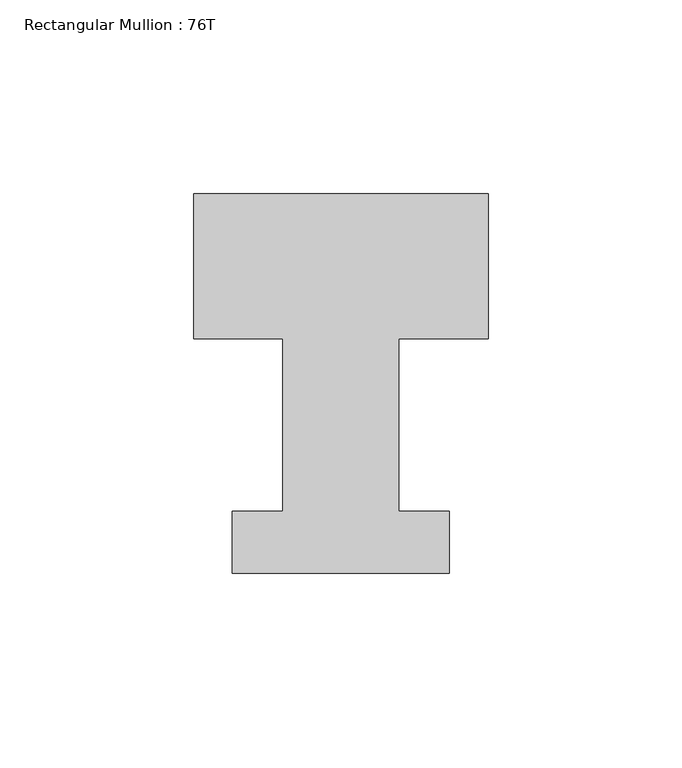
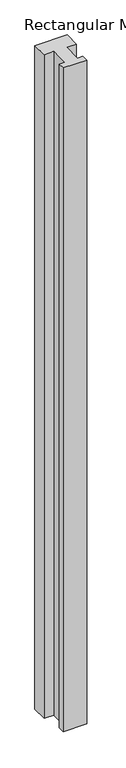
"""IFC4 building model written with IfcOpenShell, lengths in millimetres: member geometry, Rectangular Mullion : 76T."""

from ifc_helpers import new_model, si_unit, frame, origin, place, context, project, spatial, polyline, outline, extrude, source, transform, mapped, element, save


def rectangular_mullion_76t_eb08cf38(model_context):
    return source(origin(), model_context, "Body", "SweptSolid", [
        extrude(outline(polyline([(38.0, 38.0), (38.0, 0.5), (15.0, 0.5), (15.0, -44.0), (28.0, -44.0), (28.0, -60.0), (-28.0, -60.0), (-28.0, -44.0), (-15.0, -44.0), (-15.0, 0.5), (-38.0, 0.5), (-38.0, 38.0), (38.0, 38.0)])), frame((0.0, 0.0, -1658.0), z_axis=(0.0, 0.0, 1.0), x_axis=(1.0, 0.0, 0.0)), (0.0, 0.0, 1.0), 1658.0),
    ])


if __name__ == "__main__":
    model = new_model("IFC4")
    model_context = context("Model", 3, world=origin())
    ifc_project = project(units=[si_unit("LENGTHUNIT", "METRE", prefix="MILLI")], contexts=[model_context])
    site = spatial("IfcSite", under=ifc_project)
    building = spatial("IfcBuilding", under=site)
    placement = place(None, origin())
    rectangular_mullion_76t_shape = rectangular_mullion_76t_eb08cf38(model_context)
    element("IfcMember", 1, ObjectType="Rectangular Mullion : 76T", at=placement, inside=building, context=model_context, shape_type="MappedRepresentation", body=[
        mapped(rectangular_mullion_76t_shape, transform((0.0, 0.0, 0.0), x_axis=(1.0, 0.0, 0.0), y_axis=(0.0, 1.0, 0.0), z_axis=(0.0, 0.0, 1.0))),
    ])
    save(model, "model.ifc")
